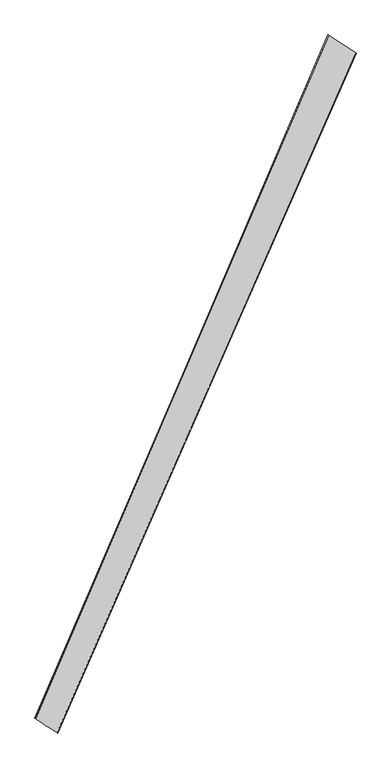
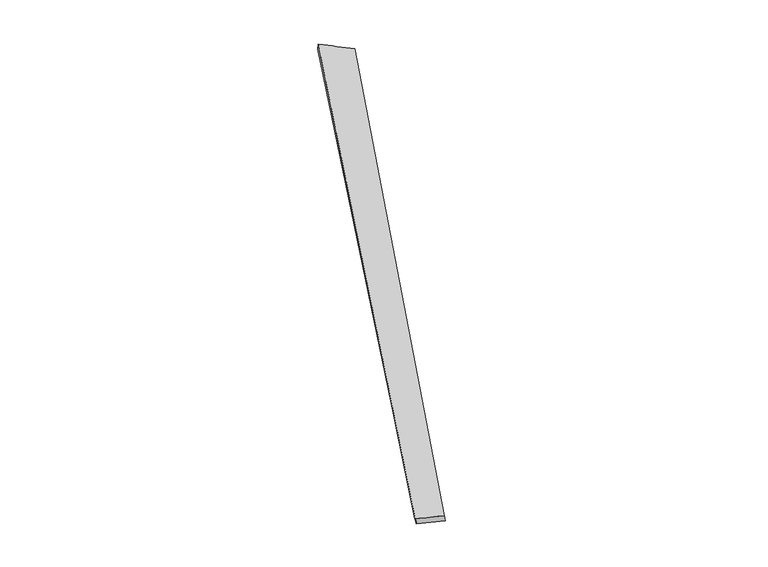
"""IFC4 building model written with IfcOpenShell, lengths in millimetres: proxy geometry."""

from ifc_helpers import new_model, si_unit, origin, place, context, project, spatial, source, transform, mapped, element, save
from ifc_brep_helpers import spline_surface, advanced_brep


def generic_models_4e0132f1(model_context):
    return source(origin(), model_context, "Body", "AdvancedBrep", [
        advanced_brep(
        [(-674.8715241, -1709.6745278, 12.4654281), (-671.5278977, -1711.3285957, -17.3017387), (957.6663908, 2001.9688812, -39.9095855), (960.3449104, 2000.9696783, -10.0461107), (-789.2745836, -1632.9879841, -41.6464604), (806.7505033, 2100.7785046, -19.6991012), (-795.7338282, -1630.3826344, -12.4661534), (810.2604419, 2099.0874839, 10.046836)],
        [
            (0, 1),
            (1, 2),
            (2, 3),
            (3, 0),
            (1, 4),
            (4, 5),
            (5, 2),
            (4, 6),
            (6, 7),
            (7, 5),
            (6, 0),
            (3, 7),
        ],
        [
            spline_surface(1, 1, [[(-674.8715241, -1709.6745278, 12.4654281), (960.3449104, 2000.9696783, -10.0461107)], [(-671.5278977, -1711.3285957, -17.3017387), (957.6663908, 2001.9688812, -39.9095855)]], [2, 2], [2, 2], [0.0, 1.0], [0.0, 1.0]),
            spline_surface(1, 1, [[(-671.5278977, -1711.3285957, -17.3017387), (957.6663908, 2001.9688812, -39.9095855)], [(-789.2745836, -1632.9879841, -41.6464604), (806.7505033, 2100.7785046, -19.6991012)]], [2, 2], [2, 2], [0.0, 1.0], [0.0, 1.0]),
            spline_surface(1, 1, [[(-789.2745836, -1632.9879841, -41.6464604), (806.7505033, 2100.7785046, -19.6991012)], [(-795.7338282, -1630.3826344, -12.4661534), (810.2604419, 2099.0874839, 10.046836)]], [2, 2], [2, 2], [0.0, 1.0], [0.0, 1.0]),
            spline_surface(1, 1, [[(-795.7338282, -1630.3826344, -12.4661534), (810.2604419, 2099.0874839, 10.046836)], [(-674.8715241, -1709.6745278, 12.4654281), (960.3449104, 2000.9696783, -10.0461107)]], [2, 2], [2, 2], [0.0, 1.0], [0.0, 1.0]),
            spline_surface(1, 1, [[(957.6663908, 2001.9688812, -39.9095855), (960.3449104, 2000.9696783, -10.0461107)], [(806.7505033, 2100.7785046, -19.6991012), (810.2604419, 2099.0874839, 10.046836)]], [2, 2], [2, 2], [0.0, 1.0], [0.0, 1.0]),
            spline_surface(1, 1, [[(-795.7338282, -1630.3826344, -12.4661534), (-674.8715241, -1709.6745278, 12.4654281)], [(-789.2745836, -1632.9879841, -41.6464604), (-671.5278977, -1711.3285957, -17.3017387)]], [2, 2], [2, 2], [0.0, 1.0], [0.0, 1.0]),
        ],
        [
            (0, [[1, 2, 3, 4]]),
            (1, [[5, 6, 7, -2]]),
            (2, [[8, 9, 10, -6]]),
            (3, [[11, -4, 12, -9]]),
            (4, [[-3, -7, -10, -12]]),
            (5, [[-11, -8, -5, -1]]),
        ],
    ),
    ])


if __name__ == "__main__":
    model = new_model("IFC4")
    model_context = context("Model", 3, world=origin())
    ifc_project = project(units=[si_unit("LENGTHUNIT", "METRE", prefix="MILLI")], contexts=[model_context])
    site = spatial("IfcSite", under=ifc_project)
    building = spatial("IfcBuilding", under=site)
    placement = place(None, origin())
    generic_models_shape = generic_models_4e0132f1(model_context)
    element("IfcBuildingElementProxy", 1, Name="Generic Models", at=placement, inside=building, context=model_context, shape_type="MappedRepresentation", body=[
        mapped(generic_models_shape, transform((0.0, 0.0, 0.0), x_axis=(1.0, 0.0, 0.0), y_axis=(0.0, 1.0, 0.0), z_axis=(0.0, 0.0, 1.0))),
    ])
    save(model, "model.ifc")
